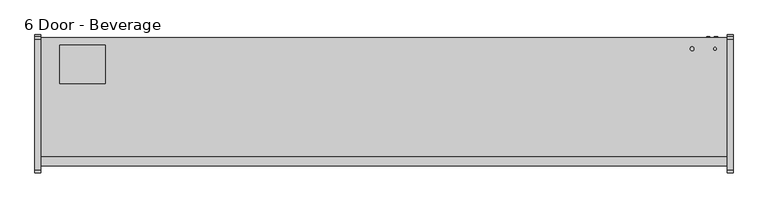
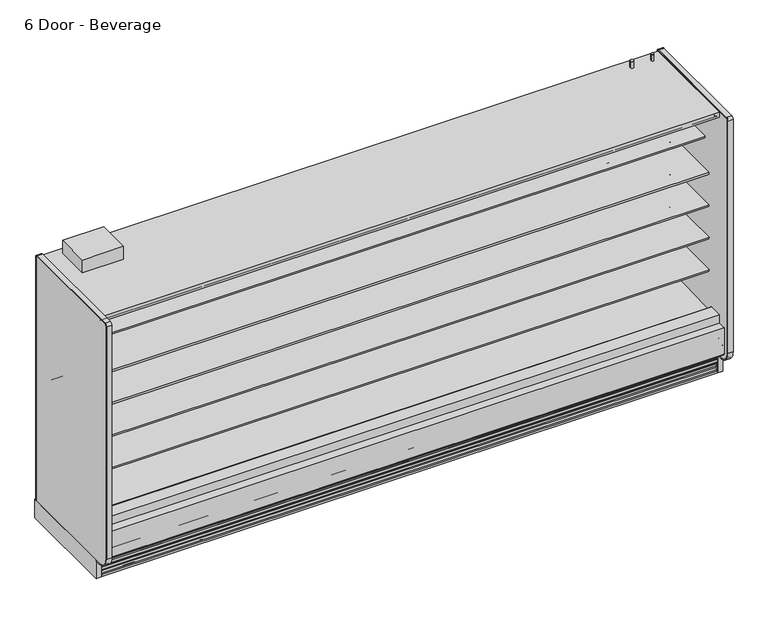
"""IFC4 building model written with IfcOpenShell, lengths in millimetres: proxy geometry, 6 Door - Beverage."""

from ifc_helpers import new_model, si_unit, point, frame, frame_2d, origin, origin_with_axes, place, context, project, spatial, polyline, circle_curve, trimmed, segment, composite_curve, outline, extrude, source, transform, mapped, element, save
from ifc_brep_helpers import plane_surface, revolved_surface, advanced_brep


def proxy_6_door_beverage_c18944ab(model_context):
    return source(origin(), model_context, "Body", "SolidModel", [
        extrude(outline(composite_curve([segment(trimmed(circle_curve(frame_2d((4489.45, -429.4247809)), 9.525), [point((4479.925, -429.4247809))], [point((4498.975, -429.4247809))], False, "CARTESIAN"), True, "CONTINUOUS"), segment(trimmed(circle_curve(frame_2d((4489.45, -429.4247809)), 9.525), [point((4498.975, -429.4247809))], [point((4479.925, -429.4247809))], False, "CARTESIAN"), True, "CONTINUOUS")], self_intersect=False)), frame((0.0, 0.0, 2058.9904091), z_axis=(0.0, 0.0, 1.0), x_axis=(1.0, 0.0, 0.0)), (0.0, 0.0, 1.0), 50.8),
        extrude(outline(composite_curve([segment(trimmed(circle_curve(frame_2d((4337.05, -429.4247809)), 12.7), [point((4324.35, -429.4247809))], [point((4349.75, -429.4247809))], False, "CARTESIAN"), True, "CONTINUOUS"), segment(trimmed(circle_curve(frame_2d((4337.05, -429.4247809)), 12.7), [point((4349.75, -429.4247809))], [point((4324.35, -429.4247809))], False, "CARTESIAN"), True, "CONTINUOUS")], self_intersect=False)), frame((0.0, 0.0, 2058.9904091), z_axis=(0.0, 0.0, 1.0), x_axis=(1.0, 0.0, 0.0)), (0.0, 0.0, 1.0), 50.8),
        extrude(outline(composite_curve([segment(polyline([(-349.0071273, 2056.656972), (-349.0071273, 143.2306), (-355.3571273, 143.2306), (-355.3571273, 2056.656972)]), True, "CONTINUOUS"), segment(trimmed(circle_curve(frame_2d((-365.6251553, 2056.656972)), 10.268028), [point((-355.3571273, 2056.656972))], [point((-365.6251553, 2066.925))], True, "CARTESIAN"), True, "CONTINUOUS"), segment(polyline([(-365.6251553, 2066.925), (-1237.4724391, 2066.925)]), True, "CONTINUOUS"), segment(trimmed(circle_curve(frame_2d((-1237.4724391, 2054.225)), 12.7), [point((-1237.4724391, 2066.925))], [point((-1250.1724391, 2054.225))], True, "CARTESIAN"), True, "CONTINUOUS"), segment(polyline([(-1250.1724391, 2054.225), (-1250.1724391, 232.1306)]), True, "CONTINUOUS"), segment(trimmed(circle_curve(frame_2d((-1161.2724391, 232.1306)), 88.9), [point((-1250.1724391, 232.1306))], [point((-1161.2724391, 143.2306))], True, "CARTESIAN"), True, "CONTINUOUS"), segment(polyline([(-1161.2724391, 143.2306), (-1124.0599223, 143.2306), (-1124.0599223, 136.8806), (-1161.2724391, 136.8806)]), True, "CONTINUOUS"), segment(trimmed(circle_curve(frame_2d((-1161.2724391, 232.1306)), 95.25), [point((-1161.2724391, 136.8806))], [point((-1256.5224391, 232.1306))], False, "CARTESIAN"), True, "CONTINUOUS"), segment(polyline([(-1256.5224391, 232.1306), (-1256.5224391, 2054.225)]), True, "CONTINUOUS"), segment(trimmed(circle_curve(frame_2d((-1237.4724391, 2054.225)), 19.05), [point((-1256.5224391, 2054.225))], [point((-1237.4724391, 2073.275))], False, "CARTESIAN"), True, "CONTINUOUS"), segment(polyline([(-1237.4724391, 2073.275), (-365.6251553, 2073.275)]), True, "CONTINUOUS"), segment(trimmed(circle_curve(frame_2d((-365.6251553, 2056.656972)), 16.618028), [point((-365.6251553, 2073.275))], [point((-349.0071273, 2056.656972))], False, "CARTESIAN"), True, "CONTINUOUS")], self_intersect=False)), frame((4572.0, 0.0, 0.0), z_axis=(1.0, 0.0, 0.0), x_axis=(0.0, 1.0, 0.0)), (0.0, 0.0, 1.0), 38.1),
        extrude(outline(polyline([(4610.1, -336.3071273), (4610.1, -1124.0599223), (4572.0, -1124.0599223), (4572.0, -336.3071273), (4610.1, -336.3071273)])), origin_with_axes(), (0.0, 0.0, 1.0), 143.2306),
        extrude(outline(composite_curve([segment(polyline([(-1250.1724391, 232.1306), (-1250.1724391, 2054.225)]), True, "CONTINUOUS"), segment(trimmed(circle_curve(frame_2d((-1237.4724391, 2054.225)), 12.7), [point((-1250.1724391, 2054.225))], [point((-1237.4724391, 2066.925))], False, "CARTESIAN"), True, "CONTINUOUS"), segment(polyline([(-1237.4724391, 2066.925), (-365.6251553, 2066.925)]), True, "CONTINUOUS"), segment(trimmed(circle_curve(frame_2d((-365.6251553, 2056.656972)), 10.268028), [point((-365.6251553, 2066.925))], [point((-355.3571273, 2056.656972))], False, "CARTESIAN"), True, "CONTINUOUS"), segment(polyline([(-355.3571273, 2056.656972), (-355.3571273, 143.2306), (-1161.2724391, 143.2306)]), True, "CONTINUOUS"), segment(trimmed(circle_curve(frame_2d((-1161.2724391, 232.1306)), 88.9), [point((-1161.2724391, 143.2306))], [point((-1250.1724391, 232.1306))], False, "CARTESIAN"), True, "CONTINUOUS")], self_intersect=False)), frame((4572.0, 0.0, 0.0), z_axis=(1.0, 0.0, 0.0), x_axis=(0.0, 1.0, 0.0)), (0.0, 0.0, 1.0), 38.1),
        extrude(outline(composite_curve([segment(polyline([(-1124.0599223, 136.8806), (-1161.2724391, 136.8806)]), True, "CONTINUOUS"), segment(trimmed(circle_curve(frame_2d((-1161.2724391, 232.1306)), 95.25), [point((-1161.2724391, 136.8806))], [point((-1256.5224391, 232.1306))], False, "CARTESIAN"), True, "CONTINUOUS"), segment(polyline([(-1256.5224391, 232.1306), (-1256.5224391, 2054.225)]), True, "CONTINUOUS"), segment(trimmed(circle_curve(frame_2d((-1237.4724391, 2054.225)), 19.05), [point((-1256.5224391, 2054.225))], [point((-1237.4724391, 2073.275))], False, "CARTESIAN"), True, "CONTINUOUS"), segment(polyline([(-1237.4724391, 2073.275), (-365.6251553, 2073.275)]), True, "CONTINUOUS"), segment(trimmed(circle_curve(frame_2d((-365.6251553, 2056.656972)), 16.618028), [point((-365.6251553, 2073.275))], [point((-349.0071273, 2056.656972))], False, "CARTESIAN"), True, "CONTINUOUS"), segment(polyline([(-349.0071273, 2056.656972), (-349.0071273, 143.2306), (-355.3571273, 143.2306), (-355.3571273, 2056.656972)]), True, "CONTINUOUS"), segment(trimmed(circle_curve(frame_2d((-365.6251553, 2056.656972)), 10.268028), [point((-355.3571273, 2056.656972))], [point((-365.6251553, 2066.925))], True, "CARTESIAN"), True, "CONTINUOUS"), segment(polyline([(-365.6251553, 2066.925), (-1237.4724391, 2066.925)]), True, "CONTINUOUS"), segment(trimmed(circle_curve(frame_2d((-1237.4724391, 2054.225)), 12.7), [point((-1237.4724391, 2066.925))], [point((-1250.1724391, 2054.225))], True, "CARTESIAN"), True, "CONTINUOUS"), segment(polyline([(-1250.1724391, 2054.225), (-1250.1724391, 232.1306)]), True, "CONTINUOUS"), segment(trimmed(circle_curve(frame_2d((-1161.2724391, 232.1306)), 88.9), [point((-1250.1724391, 232.1306))], [point((-1161.2724391, 143.2306))], True, "CARTESIAN"), True, "CONTINUOUS"), segment(polyline([(-1161.2724391, 143.2306), (-1124.0599223, 143.2306), (-1124.0599223, 136.8806)]), True, "CONTINUOUS")], self_intersect=False)), frame((-38.1, 0.0, 0.0), z_axis=(1.0, 0.0, 0.0), x_axis=(0.0, 1.0, 0.0)), (0.0, 0.0, 1.0), 38.1),
        extrude(outline(polyline([(0.0, -336.3071273), (0.0, -1124.0599223), (-38.1, -1124.0599223), (-38.1, -336.3071273), (0.0, -336.3071273)])), origin_with_axes(), (0.0, 0.0, 1.0), 143.2306),
        extrude(outline(composite_curve([segment(polyline([(-1250.1724391, 232.1306), (-1250.1724391, 2054.225)]), True, "CONTINUOUS"), segment(trimmed(circle_curve(frame_2d((-1237.4724391, 2054.225)), 12.7), [point((-1250.1724391, 2054.225))], [point((-1237.4724391, 2066.925))], False, "CARTESIAN"), True, "CONTINUOUS"), segment(polyline([(-1237.4724391, 2066.925), (-365.6251553, 2066.925)]), True, "CONTINUOUS"), segment(trimmed(circle_curve(frame_2d((-365.6251553, 2056.656972)), 10.268028), [point((-365.6251553, 2066.925))], [point((-355.3571273, 2056.656972))], False, "CARTESIAN"), True, "CONTINUOUS"), segment(polyline([(-355.3571273, 2056.656972), (-355.3571273, 143.2306), (-1137.131026, 143.2306), (-1161.2724391, 143.2306)]), True, "CONTINUOUS"), segment(trimmed(circle_curve(frame_2d((-1161.2724391, 232.1306)), 88.9), [point((-1161.2724391, 143.2306))], [point((-1250.1724391, 232.1306))], False, "CARTESIAN"), True, "CONTINUOUS")], self_intersect=False)), frame((-38.1, 0.0, 0.0), z_axis=(1.0, 0.0, 0.0), x_axis=(0.0, 1.0, 0.0)), (0.0, 0.0, 1.0), 38.1),
        extrude(outline(polyline([(0.0, -76.2), (0.0, 0.0), (4572.0, 0.0), (4572.0, -76.2), (0.0, -76.2)])), frame((4572.0, -1079.2958538, 1988.0577862), z_axis=(0.0, 0.09315347017682277, 0.9956517619097633), x_axis=(-1.0, 0.0, 0.0)), (0.0, 0.0, 1.0), 12.7),
        extrude(outline(composite_curve([segment(trimmed(circle_curve(frame_2d((-1205.0506273, 199.8107889)), 6.35), [point((-1201.8764382, 194.3110595))], [point((-1211.4006273, 199.8107889))], False, "CARTESIAN"), True, "CONTINUOUS"), segment(polyline([(-1211.4006273, 199.8107889), (-1211.4006273, 404.6728), (-1147.784197, 404.6728), (-1147.784197, 395.1732), (-1196.1987273, 395.1732), (-1196.1987273, 260.4549459), (-1151.8090876, 223.2076157), (-1201.8764382, 194.3110595)]), True, "CONTINUOUS")], self_intersect=False)), frame((0.0, 0.0, 0.0), z_axis=(1.0, 0.0, 0.0), x_axis=(0.0, 1.0, 0.0)), (0.0, 0.0, 1.0), 4572.0),
        extrude(outline(polyline([(431.8422466, -406.1571273), (431.8422466, -660.1571273), (127.0, -660.1571273), (127.0, -406.1571273), (431.8422466, -406.1571273)])), frame((0.0, 0.0, 2058.9904091), z_axis=(0.0, 0.0, 1.0), x_axis=(1.0, 0.0, 0.0)), (0.0, 0.0, 1.0), 100.0095909),
        advanced_brep(
        [(4572.0, -1124.0599223, 0.0), (4572.0, -1111.0071273, 0.0), (4572.0, -1111.0071273, 189.0201105), (4572.0, -1118.1695038, 194.9418778), (4572.0, -1118.1695038, 167.3928018), (4572.0, -1119.7599344, 165.8023712), (4572.0, -1119.7599344, 146.7523712), (4572.0, -1117.4655682, 147.966845), (4572.0, -1114.0015384, 146.7880867), (4572.0, -1120.0983392, 136.4191003), (4572.0, -1120.6941527, 135.8232868), (4572.0, -1120.6941527, 116.7732868), (4572.0, -1118.3997865, 117.9877605), (4572.0, -1114.9357567, 116.8090023), (4572.0, -1121.0325575, 106.4400158), (4572.0, -1121.628371, 105.8442023), (4572.0, -1121.628371, 86.7942023), (4572.0, -1119.3340048, 88.0086761), (4572.0, -1115.869975, 86.8299178), (4572.0, -1121.9667759, 76.4609313), (4572.0, -1122.5625893, 75.8651179), (4572.0, -1122.5625893, 56.8151179), (4572.0, -1120.2682231, 58.0295916), (4572.0, -1116.8041934, 56.8508334), (4572.0, -1122.9009942, 46.4818469), (4572.0, -1123.4968077, 45.8860334), (4572.0, -1123.4968077, 26.8360334), (4572.0, -1121.2024415, 28.0505071), (4572.0, -1117.7384117, 26.8717489), (4572.0, -1123.8352125, 16.5027624), (4572.0, -1124.0599223, 15.4000228), (0.0, -1124.0599223, 0.0), (0.0, -1124.0599223, 15.4000228), (0.0, -1123.8352125, 16.5027624), (0.0, -1117.7046569, 26.7952908), (0.0, -1121.2024415, 28.0505071), (0.0, -1123.4968077, 26.8360334), (0.0, -1123.4968077, 45.8860334), (0.0, -1122.9009942, 46.4818469), (0.0, -1116.7704385, 56.7743753), (0.0, -1120.2682231, 58.0295916), (0.0, -1122.5625893, 56.8151179), (0.0, -1122.5625893, 75.8651179), (0.0, -1121.9667759, 76.4609313), (0.0, -1115.8362202, 86.7534597), (0.0, -1119.3340048, 88.0086761), (0.0, -1121.628371, 86.7942023), (0.0, -1121.628371, 105.8442023), (0.0, -1121.0325575, 106.4400158), (0.0, -1114.9020019, 116.7325442), (0.0, -1118.3997865, 117.9877605), (0.0, -1120.6941527, 116.7732868), (0.0, -1120.6941527, 135.8232868), (0.0, -1120.0983392, 136.4191003), (0.0, -1113.9677835, 146.7116287), (0.0, -1117.4655682, 147.966845), (0.0, -1119.7599344, 146.7523712), (0.0, -1119.7599344, 165.8023712), (0.0, -1118.1695038, 167.3928018), (0.0, -1118.1695038, 194.9418778), (0.0, -1111.0071273, 189.0201105), (0.0, -1111.0071273, 0.0)],
        [
            (0, 1),
            (1, 2),
            (2, 3),
            (3, 4),
            (4, 5),
            (5, 6),
            (6, 7),
            (7, 8, circle_curve(frame((4572.0, -1116.2892235, 145.7445117), z_axis=(-1.0, 0.0, 0.0), x_axis=(0.0, 1.0, 0.0)), 2.5144685)),
            (8, 9, circle_curve(frame((4572.0, -1120.7858609, 143.8006506), z_axis=(-1.0, 0.0, 0.0), x_axis=(0.0, 1.0, 0.0)), 7.4134993)),
            (9, 10),
            (10, 11),
            (11, 12),
            (12, 13, circle_curve(frame((4572.0, -1117.2234418, 115.7654272), z_axis=(-1.0, 0.0, 0.0), x_axis=(0.0, 1.0, 0.0)), 2.5144685)),
            (13, 14, circle_curve(frame((4572.0, -1121.7200792, 113.8215662), z_axis=(-1.0, 0.0, 0.0), x_axis=(0.0, 1.0, 0.0)), 7.4134993)),
            (14, 15),
            (15, 16),
            (16, 17),
            (17, 18, circle_curve(frame((4572.0, -1118.1576601, 85.7863428), z_axis=(-1.0, 0.0, 0.0), x_axis=(0.0, 1.0, 0.0)), 2.5144685)),
            (18, 19, circle_curve(frame((4572.0, -1122.6542976, 83.8424817), z_axis=(-1.0, 0.0, 0.0), x_axis=(0.0, 1.0, 0.0)), 7.4134993)),
            (19, 20),
            (20, 21),
            (21, 22),
            (22, 23, circle_curve(frame((4572.0, -1119.0918785, 55.8072583), z_axis=(-1.0, 0.0, 0.0), x_axis=(0.0, 1.0, 0.0)), 2.5144685)),
            (23, 24, circle_curve(frame((4572.0, -1123.5885159, 53.8633973), z_axis=(-1.0, 0.0, 0.0), x_axis=(0.0, 1.0, 0.0)), 7.4134993)),
            (24, 25),
            (25, 26),
            (26, 27),
            (27, 28, circle_curve(frame((4572.0, -1120.0260968, 25.8281739), z_axis=(-1.0, 0.0, 0.0), x_axis=(0.0, 1.0, 0.0)), 2.5144685)),
            (28, 29, circle_curve(frame((4572.0, -1124.5227342, 23.8843128), z_axis=(-1.0, 0.0, 0.0), x_axis=(0.0, 1.0, 0.0)), 7.4134993)),
            (29, 30),
            (30, 0),
            (31, 32),
            (32, 33),
            (33, 34, circle_curve(frame((0.0, -1124.5227342, 23.8843128), z_axis=(1.0, 0.0, 0.0), x_axis=(0.0, 1.0, 0.0)), 7.4134993)),
            (34, 35, circle_curve(frame((0.0, -1120.0260968, 25.8281739), z_axis=(1.0, 0.0, 0.0), x_axis=(0.0, 1.0, 0.0)), 2.5144685)),
            (35, 36),
            (36, 37),
            (37, 38),
            (38, 39, circle_curve(frame((0.0, -1123.5885159, 53.8633973), z_axis=(1.0, 0.0, 0.0), x_axis=(0.0, 1.0, 0.0)), 7.4134993)),
            (39, 40, circle_curve(frame((0.0, -1119.0918785, 55.8072583), z_axis=(1.0, 0.0, 0.0), x_axis=(0.0, 1.0, 0.0)), 2.5144685)),
            (40, 41),
            (41, 42),
            (42, 43),
            (43, 44, circle_curve(frame((0.0, -1122.6542976, 83.8424817), z_axis=(1.0, 0.0, 0.0), x_axis=(0.0, 1.0, 0.0)), 7.4134993)),
            (44, 45, circle_curve(frame((0.0, -1118.1576601, 85.7863428), z_axis=(1.0, 0.0, 0.0), x_axis=(0.0, 1.0, 0.0)), 2.5144685)),
            (45, 46),
            (46, 47),
            (47, 48),
            (48, 49, circle_curve(frame((0.0, -1121.7200792, 113.8215662), z_axis=(1.0, 0.0, 0.0), x_axis=(0.0, 1.0, 0.0)), 7.4134993)),
            (49, 50, circle_curve(frame((0.0, -1117.2234418, 115.7654272), z_axis=(1.0, 0.0, 0.0), x_axis=(0.0, 1.0, 0.0)), 2.5144685)),
            (50, 51),
            (51, 52),
            (52, 53),
            (53, 54, circle_curve(frame((0.0, -1120.7858609, 143.8006506), z_axis=(1.0, 0.0, 0.0), x_axis=(0.0, 1.0, 0.0)), 7.4134993)),
            (54, 55, circle_curve(frame((0.0, -1116.2892235, 145.7445117), z_axis=(1.0, 0.0, 0.0), x_axis=(0.0, 1.0, 0.0)), 2.5144685)),
            (55, 56),
            (56, 57),
            (57, 58),
            (58, 59),
            (59, 60),
            (60, 61),
            (61, 31),
            (0, 31),
            (61, 1),
            (60, 2),
            (59, 3),
            (58, 4),
            (57, 5),
            (56, 6),
            (55, 7),
            (54, 8),
            (53, 9),
            (52, 10),
            (51, 11),
            (50, 12),
            (49, 13),
            (48, 14),
            (47, 15),
            (46, 16),
            (45, 17),
            (44, 18),
            (43, 19),
            (42, 20),
            (41, 21),
            (40, 22),
            (39, 23),
            (38, 24),
            (37, 25),
            (36, 26),
            (35, 27),
            (34, 28),
            (33, 29),
            (30, 32),
        ],
        [
            plane_surface(frame((4572.0, -1111.0071273, 0.0), z_axis=(1.0, 0.0, 0.0), x_axis=(0.0, 1.0, 0.0))),
            plane_surface(frame((0.0, -1111.0071273, 0.0), z_axis=(-1.0, 0.0, 0.0), x_axis=(0.0, -1.0, 0.0))),
            plane_surface(frame((4572.0, -1124.0599223, 0.0), z_axis=(0.0, 0.0, -1.0), x_axis=(-1.0, 0.0, 0.0))),
            plane_surface(frame((4572.0, -1111.0071273, 0.0), z_axis=(0.0, 1.0, 0.0), x_axis=(-1.0, 0.0, 0.0))),
            plane_surface(frame((4572.0, -1111.0071273, 189.0201105), z_axis=(0.0, 0.6372025590230975, 0.7706963726231076), x_axis=(-1.0, 0.0, 0.0))),
            plane_surface(frame((4572.0, -1118.1695038, 194.9418778), z_axis=(0.0, -1.0, 0.0), x_axis=(-1.0, 0.0, 0.0))),
            plane_surface(frame((4572.0, -1118.1695038, 167.3928018), z_axis=(0.0, -0.7071067811865249, 0.7071067811865701), x_axis=(-1.0, 0.0, 0.0))),
            plane_surface(frame((4572.0, -1119.7599344, 165.8023712), z_axis=(0.0, -1.0, 0.0), x_axis=(-1.0, 0.0, 0.0))),
            plane_surface(frame((4572.0, -1119.7599344, 146.7523712), z_axis=(0.0, 0.46783034066877954, -0.8838182914772322), x_axis=(-1.0, 0.0, 0.0))),
            revolved_surface(polyline([(0.0, -1113.774755, 145.7445117), (4572.0, -1113.774755, 145.7445117)]), (0.0, -1116.2892235, 145.7445117), (-1.0, 0.0, 0.0)),
            revolved_surface(polyline([(0.0, -1113.3723616, 143.8006506), (4572.0, -1113.3723616, 143.8006506)]), (0.0, -1120.7858609, 143.8006506), (-1.0, 0.0, 0.0)),
            plane_surface(frame((4572.0, -1120.0983392, 136.4191003), z_axis=(0.0, -0.7071067811865174, 0.7071067811865777), x_axis=(-1.0, 0.0, 0.0))),
            plane_surface(frame((4572.0, -1120.6941527, 135.8232868), z_axis=(0.0, -1.0, 0.0), x_axis=(-1.0, 0.0, 0.0))),
            plane_surface(frame((4572.0, -1120.6941527, 116.7732868), z_axis=(0.0, 0.46783034066877444, -0.8838182914772349), x_axis=(-1.0, 0.0, 0.0))),
            revolved_surface(polyline([(0.0, -1114.7089733, 115.7654272), (4572.0, -1114.7089733, 115.7654272)]), (0.0, -1117.2234418, 115.7654272), (-1.0, 0.0, 0.0)),
            revolved_surface(polyline([(0.0, -1114.3065799, 113.8215662), (4572.0, -1114.3065799, 113.8215662)]), (0.0, -1121.7200792, 113.8215662), (-1.0, 0.0, 0.0)),
            plane_surface(frame((4572.0, -1121.0325575, 106.4400158), z_axis=(0.0, -0.7071067811865275, 0.7071067811865677), x_axis=(-1.0, 0.0, 0.0))),
            plane_surface(frame((4572.0, -1121.628371, 105.8442023), z_axis=(0.0, -1.0, 0.0), x_axis=(-1.0, 0.0, 0.0))),
            plane_surface(frame((4572.0, -1121.628371, 86.7942023), z_axis=(0.0, 0.46783034066877954, -0.8838182914772322), x_axis=(-1.0, 0.0, 0.0))),
            revolved_surface(polyline([(0.0, -1115.6431916, 85.7863428), (4572.0, -1115.6431916, 85.7863428)]), (0.0, -1118.1576601, 85.7863428), (-1.0, 0.0, 0.0)),
            revolved_surface(polyline([(0.0, -1115.2407983, 83.8424817), (4572.0, -1115.2407983, 83.8424817)]), (0.0, -1122.6542976, 83.8424817), (-1.0, 0.0, 0.0)),
            plane_surface(frame((4572.0, -1121.9667759, 76.4609313), z_axis=(0.0, -0.7071067811865225, 0.7071067811865727), x_axis=(-1.0, 0.0, 0.0))),
            plane_surface(frame((4572.0, -1122.5625893, 75.8651179), z_axis=(0.0, -1.0, 0.0), x_axis=(-1.0, 0.0, 0.0))),
            plane_surface(frame((4572.0, -1122.5625893, 56.8151179), z_axis=(0.0, 0.46783034066877954, -0.8838182914772322), x_axis=(-1.0, 0.0, 0.0))),
            revolved_surface(polyline([(0.0, -1116.5774099999999, 55.8072583), (4572.0, -1116.5774099999999, 55.8072583)]), (0.0, -1119.0918785, 55.8072583), (-1.0, 0.0, 0.0)),
            revolved_surface(polyline([(0.0, -1116.1750166, 53.8633973), (4572.0, -1116.1750166, 53.8633973)]), (0.0, -1123.5885159, 53.8633973), (-1.0, 0.0, 0.0)),
            plane_surface(frame((4572.0, -1122.9009942, 46.4818469), z_axis=(0.0, -0.7071067811865275, 0.7071067811865677), x_axis=(-1.0, 0.0, 0.0))),
            plane_surface(frame((4572.0, -1123.4968077, 45.8860334), z_axis=(0.0, -1.0, 0.0), x_axis=(-1.0, 0.0, 0.0))),
            plane_surface(frame((4572.0, -1123.4968077, 26.8360334), z_axis=(0.0, 0.46783034066877954, -0.8838182914772322), x_axis=(-1.0, 0.0, 0.0))),
            revolved_surface(polyline([(0.0, -1117.5116283, 25.8281739), (4572.0, -1117.5116283, 25.8281739)]), (0.0, -1120.0260968, 25.8281739), (-1.0, 0.0, 0.0)),
            revolved_surface(polyline([(0.0, -1117.1092349, 23.8843128), (4572.0, -1117.1092349, 23.8843128)]), (0.0, -1124.5227342, 23.8843128), (-1.0, 0.0, 0.0)),
            plane_surface(frame((4572.0, -1124.0599223, 15.4000228), z_axis=(0.0, -1.0, 0.0), x_axis=(-1.0, 0.0, 0.0))),
            plane_surface(frame((4572.0, -1123.8352125, 16.5027624), z_axis=(0.0, -0.9798630437033696, 0.19967076797660804), x_axis=(-1.0, 0.0, 0.0))),
        ],
        [
            (0, [[1, 2, 3, 4, 5, 6, 7, 8, 9, 10, 11, 12, 13, 14, 15, 16, 17, 18, 19, 20, 21, 22, 23, 24, 25, 26, 27, 28, 29, 30, 31]]),
            (1, [[32, 33, 34, 35, 36, 37, 38, 39, 40, 41, 42, 43, 44, 45, 46, 47, 48, 49, 50, 51, 52, 53, 54, 55, 56, 57, 58, 59, 60, 61, 62]]),
            (2, [[-1, 63, -62, 64]]),
            (3, [[-2, -64, -61, 65]]),
            (4, [[-3, -65, -60, 66]]),
            (5, [[-4, -66, -59, 67]]),
            (6, [[-5, -67, -58, 68]]),
            (7, [[-6, -68, -57, 69]]),
            (8, [[-7, -69, -56, 70]]),
            (9, [[-8, -70, -55, 71]]),
            (10, [[-9, -71, -54, 72]]),
            (11, [[-10, -72, -53, 73]]),
            (12, [[-11, -73, -52, 74]]),
            (13, [[-12, -74, -51, 75]]),
            (14, [[-13, -75, -50, 76]]),
            (15, [[-14, -76, -49, 77]]),
            (16, [[-15, -77, -48, 78]]),
            (17, [[-16, -78, -47, 79]]),
            (18, [[-17, -79, -46, 80]]),
            (19, [[-18, -80, -45, 81]]),
            (20, [[-19, -81, -44, 82]]),
            (21, [[-20, -82, -43, 83]]),
            (22, [[-21, -83, -42, 84]]),
            (23, [[-22, -84, -41, 85]]),
            (24, [[-23, -85, -40, 86]]),
            (25, [[-24, -86, -39, 87]]),
            (26, [[-25, -87, -38, 88]]),
            (27, [[-26, -88, -37, 89]]),
            (28, [[-27, -89, -36, 90]]),
            (29, [[-28, -90, -35, 91]]),
            (30, [[-29, -91, -34, 92]]),
            (31, [[-31, 93, -32, -63]]),
            (32, [[-30, -92, -33, -93]]),
        ],
    ),
        extrude(outline(composite_curve([segment(polyline([(-457.027044, 1659.5875245), (-468.1349362, 1659.3712074)]), True, "CONTINUOUS"), segment(trimmed(circle_curve(frame_2d((-468.6228819, 1684.4272352)), 25.0607786), [point((-468.1349362, 1659.3712074))], [point((-484.5302045, 1665.062326))], False, "CARTESIAN"), True, "CONTINUOUS"), segment(polyline([(-484.5302045, 1665.062326), (-522.7519051, 1696.1455946)]), True, "CONTINUOUS"), segment(trimmed(circle_curve(frame_2d((-562.8163782, 1646.8801098)), 63.5), [point((-522.7519051, 1696.1455946))], [point((-555.8383697, 1709.9955389))], True, "CARTESIAN"), True, "CONTINUOUS"), segment(polyline([(-555.8383697, 1709.9955389), (-850.9210421, 1742.6197236), (-850.9210421, 1746.90405), (-965.027044, 1746.90405), (-965.027044, 1760.3978), (-457.027044, 1760.3978), (-457.027044, 1659.5875245)]), True, "CONTINUOUS")], self_intersect=False)), frame((0.0, 0.0, 0.0), z_axis=(1.0, 0.0, 0.0), x_axis=(0.0, 1.0, 0.0)), (0.0, 0.0, 1.0), 4572.0),
        extrude(outline(composite_curve([segment(polyline([(-457.027044, 643.5875245), (-468.1349362, 643.3712074)]), True, "CONTINUOUS"), segment(trimmed(circle_curve(frame_2d((-468.6228819, 668.4272352)), 25.0607786), [point((-468.1349362, 643.3712074))], [point((-484.5302045, 649.062326))], False, "CARTESIAN"), True, "CONTINUOUS"), segment(polyline([(-484.5302045, 649.062326), (-522.7519051, 680.1455946)]), True, "CONTINUOUS"), segment(trimmed(circle_curve(frame_2d((-562.8163782, 630.8801098)), 63.5), [point((-522.7519051, 680.1455946))], [point((-555.9633688, 694.0092335))], True, "CARTESIAN"), True, "CONTINUOUS"), segment(polyline([(-555.9633688, 694.0092335), (-901.7210421, 726.6197236), (-901.7210421, 730.90405), (-1015.827044, 730.90405), (-1015.827044, 744.3978), (-457.027044, 744.3978), (-457.027044, 643.5875245)]), True, "CONTINUOUS")], self_intersect=False)), frame((0.0, 0.0, 0.0), z_axis=(1.0, 0.0, 0.0), x_axis=(0.0, 1.0, 0.0)), (0.0, 0.0, 1.0), 4572.0),
        extrude(outline(composite_curve([segment(polyline([(-457.027044, 897.5875245), (-468.1349362, 897.3712074)]), True, "CONTINUOUS"), segment(trimmed(circle_curve(frame_2d((-468.6228819, 922.4272352)), 25.0607786), [point((-468.1349362, 897.3712074))], [point((-484.5302045, 903.062326))], False, "CARTESIAN"), True, "CONTINUOUS"), segment(polyline([(-484.5302045, 903.062326), (-522.7519051, 934.1455946)]), True, "CONTINUOUS"), segment(trimmed(circle_curve(frame_2d((-562.8163782, 884.8801098)), 63.5), [point((-522.7519051, 934.1455946))], [point((-555.9633688, 948.0092335))], True, "CARTESIAN"), True, "CONTINUOUS"), segment(polyline([(-555.9633688, 948.0092335), (-901.7210421, 980.6197236), (-901.7210421, 984.90405), (-1015.827044, 984.90405), (-1015.827044, 998.3978), (-457.027044, 998.3978), (-457.027044, 897.5875245)]), True, "CONTINUOUS")], self_intersect=False)), frame((0.0, 0.0, 0.0), z_axis=(1.0, 0.0, 0.0), x_axis=(0.0, 1.0, 0.0)), (0.0, 0.0, 1.0), 4572.0),
        extrude(outline(composite_curve([segment(polyline([(-457.027044, 1151.5875245), (-468.1349362, 1151.3712074)]), True, "CONTINUOUS"), segment(trimmed(circle_curve(frame_2d((-468.6228819, 1176.4272352)), 25.0607786), [point((-468.1349362, 1151.3712074))], [point((-484.5302045, 1157.062326))], False, "CARTESIAN"), True, "CONTINUOUS"), segment(polyline([(-484.5302045, 1157.062326), (-522.7519051, 1188.1455946)]), True, "CONTINUOUS"), segment(trimmed(circle_curve(frame_2d((-562.8163782, 1138.8801098)), 63.5), [point((-522.7519051, 1188.1455946))], [point((-555.9633688, 1202.0092335))], True, "CARTESIAN"), True, "CONTINUOUS"), segment(polyline([(-555.9633688, 1202.0092335), (-901.7210421, 1234.6197236), (-901.7210421, 1238.90405), (-1015.827044, 1238.90405), (-1015.827044, 1252.3978), (-457.027044, 1252.3978), (-457.027044, 1151.5875245)]), True, "CONTINUOUS")], self_intersect=False)), frame((0.0, 0.0, 0.0), z_axis=(1.0, 0.0, 0.0), x_axis=(0.0, 1.0, 0.0)), (0.0, 0.0, 1.0), 4572.0),
        extrude(outline(composite_curve([segment(polyline([(-457.027044, 1405.5875245), (-468.1349362, 1405.3712074)]), True, "CONTINUOUS"), segment(trimmed(circle_curve(frame_2d((-468.6228819, 1430.4272352)), 25.0607786), [point((-468.1349362, 1405.3712074))], [point((-484.5302045, 1411.062326))], False, "CARTESIAN"), True, "CONTINUOUS"), segment(polyline([(-484.5302045, 1411.062326), (-522.7519051, 1442.1455946)]), True, "CONTINUOUS"), segment(trimmed(circle_curve(frame_2d((-562.8163782, 1392.8801098)), 63.5), [point((-522.7519051, 1442.1455946))], [point((-555.9633688, 1456.0092335))], True, "CARTESIAN"), True, "CONTINUOUS"), segment(polyline([(-555.9633688, 1456.0092335), (-901.7210421, 1488.6197236), (-901.7210421, 1492.90405), (-1015.827044, 1492.90405), (-1015.827044, 1506.3978), (-457.027044, 1506.3978), (-457.027044, 1405.5875245)]), True, "CONTINUOUS")], self_intersect=False)), frame((0.0, 0.0, 0.0), z_axis=(1.0, 0.0, 0.0), x_axis=(0.0, 1.0, 0.0)), (0.0, 0.0, 1.0), 4572.0),
        advanced_brep(
        [(4572.0, -355.3571273, 130.5306), (4572.0, -355.3571273, 2057.4), (4572.0, -1147.784197, 2057.4), (4572.0, -1147.784197, 2020.2201079), (4572.0, -405.5224764, 2020.2201079), (4572.0, -405.5224764, 220.2495555), (4572.0, -866.2322128, 192.9404113), (4572.0, -906.3154388, 159.4459345), (4572.0, -970.8177493, 157.1934642), (4572.0, -1016.169944, 190.0023738), (4572.0, -1033.5218065, 189.3964335), (4572.0, -1147.784197, 285.2739632), (4572.0, -1147.784197, 395.1732), (4572.0, -1196.1987273, 395.1732), (4572.0, -1196.1987273, 260.4549459), (4572.0, -1041.3609213, 130.5306), (0.0, -355.3571273, 130.5306), (0.0, -1041.3609213, 130.5306), (0.0, -1196.1987273, 260.4549459), (0.0, -1196.1987273, 395.1732), (0.0, -1147.784197, 395.1732), (0.0, -1147.784197, 285.2739632), (0.0, -1033.5218065, 189.3964335), (0.0, -1016.169944, 190.0023738), (0.0, -970.8177493, 157.1934642), (0.0, -906.3154388, 159.4459345), (0.0, -866.2322128, 192.9404113), (0.0, -405.5224764, 220.2495555), (0.0, -405.5224764, 2020.2201079), (0.0, -1147.784197, 2020.2201079), (0.0, -1147.784197, 2057.4), (0.0, -355.3571273, 2057.4), (4470.4, -355.3571273, 303.2125), (4470.4, -355.3571273, 404.8125), (4470.4, -390.6253644, 303.2125), (4470.4, -390.6253644, 404.8125)],
        [
            (0, 1),
            (1, 2),
            (2, 3),
            (3, 4),
            (4, 5),
            (5, 6),
            (6, 7),
            (7, 8),
            (8, 9),
            (9, 10),
            (10, 11),
            (11, 12),
            (12, 13),
            (13, 14),
            (14, 15),
            (15, 0),
            (16, 17),
            (17, 18),
            (18, 19),
            (19, 20),
            (20, 21),
            (21, 22),
            (22, 23),
            (23, 24),
            (24, 25),
            (25, 26),
            (26, 27),
            (27, 28),
            (28, 29),
            (29, 30),
            (30, 31),
            (31, 16),
            (0, 16),
            (31, 1),
            (32, 33, circle_curve(frame((4470.4, -355.3571273, 354.0125), z_axis=(0.0, -1.0, 0.0), x_axis=(0.0, 0.0, 1.0)), 50.8)),
            (33, 32, circle_curve(frame((4470.4, -355.3571273, 354.0125), z_axis=(0.0, -1.0, 0.0), x_axis=(0.0, 0.0, 1.0)), 50.8)),
            (30, 2),
            (29, 3),
            (28, 4),
            (27, 5),
            (15, 17),
            (34, 35, circle_curve(frame((4470.4, -390.6253644, 354.0125), z_axis=(0.0, 1.0, 0.0), x_axis=(0.0, 0.0, 1.0)), 50.8)),
            (35, 34, circle_curve(frame((4470.4, -390.6253644, 354.0125), z_axis=(0.0, 1.0, 0.0), x_axis=(0.0, 0.0, 1.0)), 50.8)),
            (35, 33),
            (32, 34),
            (6, 26),
            (25, 7),
            (24, 8),
            (23, 9),
            (22, 10),
            (21, 11),
            (20, 12),
            (19, 13),
            (18, 14),
        ],
        [
            plane_surface(frame((4572.0, -355.3571273, 2046.3567079), z_axis=(1.0, 0.0, 0.0), x_axis=(0.0, 0.0, 1.0))),
            plane_surface(frame((0.0, -355.3571273, 2046.3567079), z_axis=(-1.0, 0.0, 0.0), x_axis=(0.0, 0.0, -1.0))),
            plane_surface(frame((4572.0, -355.3571273, 130.5306), z_axis=(0.0, 1.0, 0.0), x_axis=(-1.0, 0.0, 0.0))),
            plane_surface(frame((4572.0, -355.3571273, 2057.4), z_axis=(0.0, 0.0, 1.0), x_axis=(-1.0, 0.0, 0.0))),
            plane_surface(frame((4572.0, -1147.784197, 2057.4), z_axis=(0.0, -1.0, 0.0), x_axis=(-1.0, 0.0, 0.0))),
            plane_surface(frame((4572.0, -1147.784197, 2020.2201079), z_axis=(0.0, 0.0, -1.0), x_axis=(-1.0, 0.0, 0.0))),
            plane_surface(frame((4572.0, -405.5224764, 2020.2201079), z_axis=(0.0, -1.0, 0.0), x_axis=(-1.0, 0.0, 0.0))),
            plane_surface(frame((4572.0, -1041.3609213, 130.5306), z_axis=(0.0, 0.0, -1.0), x_axis=(-1.0, 0.0, 0.0))),
            plane_surface(frame((4470.4, -390.6253644, 404.8125), z_axis=(0.0, 1.0, 0.0), x_axis=(-1.0, 0.0, 0.0))),
            revolved_surface(polyline([(4470.4, -390.6253644, 404.8125), (4470.4, -355.3571273, 404.8125)]), (4470.4, -355.3571273, 354.0125), (0.0, -1.0, 0.0)),
            plane_surface(frame((4572.0, -866.2322128, 192.9404113), z_axis=(0.0, -0.6412208566386132, 0.7673563794037573), x_axis=(-1.0, 0.0, 0.0))),
            plane_surface(frame((4572.0, -906.3154388, 159.4459345), z_axis=(0.0, -0.03489949670245158, 0.9993908270190974), x_axis=(-1.0, 0.0, 0.0))),
            plane_surface(frame((4572.0, -970.8177493, 157.1934642), z_axis=(0.0, 0.5861307997256702, 0.8102164436821474), x_axis=(-1.0, 0.0, 0.0))),
            plane_surface(frame((4572.0, -1016.169944, 190.0023738), z_axis=(0.0, -0.034899496702486744, 0.9993908270190962), x_axis=(-1.0, 0.0, 0.0))),
            plane_surface(frame((4572.0, -405.5224764, 220.2495555), z_axis=(0.0, -0.059172381954877985, 0.9982477794684975), x_axis=(-1.0, 0.0, 0.0))),
            plane_surface(frame((4572.0, -1033.5218065, 189.3964335), z_axis=(0.0, 0.6427876096848525, 0.7660444431203935), x_axis=(-1.0, 0.0, 0.0))),
            plane_surface(frame((4572.0, -1147.784197, 285.2739632), z_axis=(0.0, 1.0, 0.0), x_axis=(-1.0, 0.0, 0.0))),
            plane_surface(frame((4572.0, -1147.784197, 395.1732), z_axis=(0.0, 0.0, 1.0), x_axis=(-1.0, 0.0, 0.0))),
            plane_surface(frame((4572.0, -1196.1987273, 395.1732), z_axis=(0.0, -1.0, 0.0), x_axis=(-1.0, 0.0, 0.0))),
            plane_surface(frame((4572.0, -1196.1987273, 260.4549459), z_axis=(0.0, -0.6427876096877204, -0.766044443117987), x_axis=(-1.0, 0.0, 0.0))),
        ],
        [
            (0, [[1, 2, 3, 4, 5, 6, 7, 8, 9, 10, 11, 12, 13, 14, 15, 16]]),
            (1, [[17, 18, 19, 20, 21, 22, 23, 24, 25, 26, 27, 28, 29, 30, 31, 32]]),
            (2, [[-1, 33, -32, 34], [35, 36]]),
            (3, [[-2, -34, -31, 37]]),
            (4, [[-3, -37, -30, 38]]),
            (5, [[-4, -38, -29, 39]]),
            (6, [[-5, -39, -28, 40]]),
            (7, [[-16, 41, -17, -33]]),
            (8, [[42, 43]]),
            (9, [[-43, 44, -35, 45]]),
            (9, [[-42, -45, -36, -44]]),
            (10, [[-7, 46, -26, 47]]),
            (11, [[-8, -47, -25, 48]]),
            (12, [[-9, -48, -24, 49]]),
            (13, [[-10, -49, -23, 50]]),
            (14, [[-6, -40, -27, -46]]),
            (15, [[-11, -50, -22, 51]]),
            (16, [[-12, -51, -21, 52]]),
            (17, [[-13, -52, -20, 53]]),
            (18, [[-14, -53, -19, 54]]),
            (19, [[-15, -54, -18, -41]]),
        ],
    ),
        extrude(outline(composite_curve([segment(polyline([(-457.027044, 445.7919218), (-405.5224764, 445.7919218), (-405.5224764, 220.2495555), (-866.2322128, 192.9404113), (-906.3154388, 159.4459345), (-970.8177493, 157.1934642), (-1016.169944, 190.0023738), (-1033.5218065, 189.3964335), (-1147.784197, 285.2739632), (-1147.784197, 471.3478), (-1049.6661273, 471.3478)]), True, "CONTINUOUS"), segment(trimmed(circle_curve(frame_2d((-1049.6661273, 469.2904)), 2.0574), [point((-1049.6661273, 471.3478))], [point((-1047.6087273, 469.2904))], False, "CARTESIAN"), True, "CONTINUOUS"), segment(polyline([(-1047.6087273, 469.2904), (-1047.6087273, 423.9708554), (-457.027044, 445.7919218)]), True, "CONTINUOUS")], self_intersect=False)), frame((0.0, 0.0, 0.0), z_axis=(1.0, 0.0, 0.0), x_axis=(0.0, 1.0, 0.0)), (0.0, 0.0, 1.0), 4572.0),
        extrude(outline(composite_curve([segment(polyline([(-1001.0821412, 1994.8201079), (-1001.0544494, 1996.4629758), (-1080.2451873, 2003.8720844), (-1080.2451873, 1993.3723079)]), True, "CONTINUOUS"), segment(trimmed(circle_curve(frame_2d((-1082.7851873, 1993.3723079)), 2.54), [point((-1080.2451873, 1993.3723079))], [point((-1082.7851873, 1990.8323079))], False, "CARTESIAN"), True, "CONTINUOUS"), segment(polyline([(-1082.7851873, 1990.8323079), (-1092.0053873, 1990.8323079)]), True, "CONTINUOUS"), segment(trimmed(circle_curve(frame_2d((-1092.0053873, 1993.3723079)), 2.54), [point((-1092.0053873, 1990.8323079))], [point((-1094.5453873, 1993.3723079))], False, "CARTESIAN"), True, "CONTINUOUS"), segment(polyline([(-1094.5453873, 1993.3723079), (-1094.5453873, 2001.1923066)]), True, "CONTINUOUS"), segment(trimmed(circle_curve(frame_2d((-1097.0853873, 2001.1923066)), 2.54), [point((-1094.5453873, 2001.1923066))], [point((-1097.0853873, 2003.7323066))], True, "CARTESIAN"), True, "CONTINUOUS"), segment(polyline([(-1097.0853873, 2003.7323066), (-1111.0553873, 2003.7323066)]), True, "CONTINUOUS"), segment(trimmed(circle_curve(frame_2d((-1111.0553873, 2006.2723066)), 2.54), [point((-1111.0553873, 2003.7323066))], [point((-1113.5953873, 2006.2723066))], False, "CARTESIAN"), True, "CONTINUOUS"), segment(polyline([(-1113.5953873, 2006.2723066), (-1113.5953873, 2007.5201079), (-1113.5953873, 2020.2201079), (-405.5224764, 2020.2201079), (-405.5224764, 445.7919218), (-457.027044, 445.7919218), (-457.027044, 1994.8201079), (-1001.0821412, 1994.8201079)]), True, "CONTINUOUS")], self_intersect=False)), frame((0.0, 0.0, 0.0), z_axis=(1.0, 0.0, 0.0), x_axis=(0.0, 1.0, 0.0)), (0.0, 0.0, 1.0), 4572.0),
        extrude(outline(polyline([(457.2, -1050.6821273), (457.2, -1114.594384), (254.0, -1114.594384), (254.0, -1050.6821273), (457.2, -1050.6821273)])), frame((0.0, 0.0, 44.45), z_axis=(0.0, 0.0, 1.0), x_axis=(1.0, 0.0, 0.0)), (0.0, 0.0, 1.0), 6.35),
        advanced_brep(
        [(4572.0, -1111.0071273, 188.9707058), (4572.0, -1111.0071273, 0.0), (4572.0, -964.9571273, 0.0), (4572.0, -964.9571273, 130.5306), (4572.0, -1041.3609213, 130.5306), (0.0, -1111.0071273, 188.9707058), (0.0, -1041.3609213, 130.5306), (0.0, -964.9571273, 130.5306), (0.0, -964.9571273, 0.0), (0.0, -1111.0071273, 0.0), (245.6409893, -1111.0071273, 0.0), (245.6409893, -1111.0071273, 50.8), (466.3154811, -1111.0071273, 50.8), (466.3154811, -1111.0071273, 0.0), (466.3154811, -1045.2097182, 0.0), (245.6409893, -1045.2097182, 0.0), (2240.3197047, -964.9571273, 0.0), (2331.6802953, -964.9571273, 0.0), (4304.2446396, -964.9571273, 0.0), (4398.4303604, -964.9571273, 0.0), (4398.4303604, -964.9571273, 127.0), (4304.2446396, -964.9571273, 127.0), (2331.6802953, -964.9571273, 127.0), (2240.3197047, -964.9571273, 127.0), (466.3154811, -1045.2097182, 50.8), (245.6409893, -1045.2097182, 50.8)],
        [
            (0, 1),
            (1, 2),
            (2, 3),
            (3, 4),
            (4, 0),
            (5, 6),
            (6, 7),
            (7, 8),
            (8, 9),
            (9, 5),
            (0, 5),
            (9, 10),
            (10, 11),
            (11, 12),
            (12, 13),
            (13, 1),
            (13, 14),
            (14, 15),
            (15, 10),
            (8, 16),
            (16, 17, circle_curve(frame((2286.0, -942.7321273, 0.0), z_axis=(0.0, 0.0, 1.0), x_axis=(1.0, 0.0, 0.0)), 50.8)),
            (17, 18),
            (18, 19, circle_curve(frame((4351.3375, -945.9071273, 0.0), z_axis=(0.0, 0.0, 1.0), x_axis=(1.0, 0.0, 0.0)), 50.8)),
            (19, 2),
            (19, 20),
            (20, 21),
            (21, 18),
            (17, 22),
            (22, 23),
            (23, 16),
            (7, 3),
            (6, 4),
            (24, 14),
            (12, 24),
            (15, 25),
            (25, 11),
            (24, 25),
            (22, 23, circle_curve(frame((2286.0, -942.7321273, 127.0), z_axis=(0.0, 0.0, -1.0), x_axis=(1.0, 0.0, 0.0)), 50.8)),
            (20, 21, circle_curve(frame((4351.3375, -945.9071273, 127.0), z_axis=(0.0, 0.0, -1.0), x_axis=(1.0, 0.0, 0.0)), 50.8)),
        ],
        [
            plane_surface(frame((4572.0, -1111.0071273, 0.0), z_axis=(1.0, 0.0, 0.0), x_axis=(0.0, 0.0, -1.0))),
            plane_surface(frame((0.0, -1111.0071273, 0.0), z_axis=(-1.0, 0.0, 0.0), x_axis=(0.0, 0.0, 1.0))),
            plane_surface(frame((4572.0, -1111.0071273, 188.9707058), z_axis=(0.0, -1.0, 0.0), x_axis=(-1.0, 0.0, 0.0))),
            plane_surface(frame((4572.0, -1111.0071273, 0.0), z_axis=(0.0, 0.0, -1.0), x_axis=(-1.0, 0.0, 0.0))),
            plane_surface(frame((4572.0, -964.9571273, 0.0), z_axis=(0.0, 1.0, 0.0), x_axis=(-1.0, 0.0, 0.0))),
            plane_surface(frame((4572.0, -964.9571273, 130.5306), z_axis=(0.0, 0.0, 1.0), x_axis=(-1.0, 0.0, 0.0))),
            plane_surface(frame((4572.0, -1041.3609213, 130.5306), z_axis=(0.0, 0.6427876096877104, 0.7660444431179954), x_axis=(-1.0, 0.0, 0.0))),
            plane_surface(frame((466.3154811, -1045.2097182, 0.0), z_axis=(-1.0, 0.0, 0.0), x_axis=(0.0, 1.0, 0.0))),
            plane_surface(frame((245.6409893, -1045.2097182, 0.0), z_axis=(1.0, 0.0, 0.0), x_axis=(0.0, -1.0, 0.0))),
            plane_surface(frame((466.3154811, -1045.2097182, 0.0), z_axis=(0.0, -1.0, 0.0), x_axis=(-1.0, 0.0, 0.0))),
            plane_surface(frame((466.3154811, -1045.2097182, 50.8), z_axis=(0.0, 0.0, -1.0), x_axis=(-1.0, 0.0, 0.0))),
            plane_surface(frame((2336.8, -942.7321273, 127.0), z_axis=(0.0, 0.0, -1.0), x_axis=(0.0, 1.0, 0.0))),
            revolved_surface(polyline([(2336.8, -942.7321273, 127.0), (2336.8, -942.7321273, 0.0)]), (2286.0, -942.7321273, 0.0), (0.0, 0.0, 1.0)),
            plane_surface(frame((4402.1375, -945.9071273, 127.0), z_axis=(0.0, 0.0, -1.0), x_axis=(0.0, 1.0, 0.0))),
            revolved_surface(polyline([(4402.1375, -945.9071273, 127.0), (4402.1375, -945.9071273, 0.0)]), (4351.3375, -945.9071273, 0.0), (0.0, 0.0, 1.0)),
        ],
        [
            (0, [[1, 2, 3, 4, 5]]),
            (1, [[6, 7, 8, 9, 10]]),
            (2, [[-1, 11, -10, 12, 13, 14, 15, 16]]),
            (3, [[-2, -16, 17, 18, 19, -12, -9, 20, 21, 22, 23, 24]]),
            (4, [[-3, -24, 25, 26, 27, -22, 28, 29, 30, -20, -8, 31]]),
            (5, [[-4, -31, -7, 32]]),
            (6, [[-5, -32, -6, -11]]),
            (7, [[33, -17, -15, 34]]),
            (8, [[35, 36, -13, -19]]),
            (9, [[-33, 37, -35, -18]]),
            (10, [[-37, -34, -14, -36]]),
            (11, [[38, -29]]),
            (12, [[-38, -28, -21, -30]]),
            (13, [[39, -26]]),
            (14, [[-39, -25, -23, -27]]),
        ],
    ),
        extrude(outline(composite_curve([segment(trimmed(circle_curve(frame_2d((354.0125, 4495.8)), 12.7), [point((341.3125, 4495.8))], [point((366.7125, 4495.8))], False, "CARTESIAN"), True, "CONTINUOUS"), segment(trimmed(circle_curve(frame_2d((354.0125, 4495.8)), 12.7), [point((366.7125, 4495.8))], [point((341.3125, 4495.8))], False, "CARTESIAN"), True, "CONTINUOUS")], self_intersect=False)), frame((0.0, -390.6253644, 0.0), z_axis=(0.0, 1.0, 0.0), x_axis=(0.0, 0.0, 1.0)), (0.0, 0.0, 1.0), 41.6182371),
        extrude(outline(composite_curve([segment(trimmed(circle_curve(frame_2d((354.0125, 4445.0)), 9.525), [point((344.4875, 4445.0))], [point((363.5375, 4445.0))], False, "CARTESIAN"), True, "CONTINUOUS"), segment(trimmed(circle_curve(frame_2d((354.0125, 4445.0)), 9.525), [point((363.5375, 4445.0))], [point((344.4875, 4445.0))], False, "CARTESIAN"), True, "CONTINUOUS")], self_intersect=False)), frame((0.0, -390.6253644, 0.0), z_axis=(0.0, 1.0, 0.0), x_axis=(0.0, 0.0, 1.0)), (0.0, 0.0, 1.0), 41.6182371),
        extrude(outline(composite_curve([segment(trimmed(circle_curve(frame_2d((2286.0, -942.7321273)), 38.1), [point((2247.9, -942.7321273))], [point((2324.1, -942.7321273))], False, "CARTESIAN"), True, "CONTINUOUS"), segment(trimmed(circle_curve(frame_2d((2286.0, -942.7321273)), 38.1), [point((2324.1, -942.7321273))], [point((2247.9, -942.7321273))], False, "CARTESIAN"), True, "CONTINUOUS")], self_intersect=False)), frame((0.0, 0.0, 61.2666507), z_axis=(0.0, 0.0, 1.0), x_axis=(1.0, 0.0, 0.0)), (0.0, 0.0, 1.0), 65.7333493),
        extrude(outline(composite_curve([segment(trimmed(circle_curve(frame_2d((4376.7375, -942.7321273)), 12.7), [point((4364.0375, -942.7321273))], [point((4389.4375, -942.7321273))], False, "CARTESIAN"), True, "CONTINUOUS"), segment(trimmed(circle_curve(frame_2d((4376.7375, -942.7321273)), 12.7), [point((4389.4375, -942.7321273))], [point((4364.0375, -942.7321273))], False, "CARTESIAN"), True, "CONTINUOUS")], self_intersect=False)), frame((0.0, 0.0, 61.2666507), z_axis=(0.0, 0.0, 1.0), x_axis=(1.0, 0.0, 0.0)), (0.0, 0.0, 1.0), 65.7333493),
        extrude(outline(composite_curve([segment(trimmed(circle_curve(frame_2d((4325.9375, -942.7321273)), 9.525), [point((4316.4125, -942.7321273))], [point((4335.4625, -942.7321273))], False, "CARTESIAN"), True, "CONTINUOUS"), segment(trimmed(circle_curve(frame_2d((4325.9375, -942.7321273)), 9.525), [point((4335.4625, -942.7321273))], [point((4316.4125, -942.7321273))], False, "CARTESIAN"), True, "CONTINUOUS")], self_intersect=False)), frame((0.0, 0.0, 61.2666507), z_axis=(0.0, 0.0, 1.0), x_axis=(1.0, 0.0, 0.0)), (0.0, 0.0, 1.0), 65.7333493),
        advanced_brep(
        [(4572.0, -355.3571273, 0.0), (4572.0, -355.3571273, 130.5306), (4572.0, -964.9571273, 130.5306), (4572.0, -964.9571273, 0.0), (4572.0, -938.7951273, 0.0), (4572.0, -938.7951273, 74.8810382), (4572.0, -394.2191273, 74.8810382), (4572.0, -394.2191273, 0.0), (0.0, -355.3571273, 0.0), (0.0, -394.2191273, 0.0), (0.0, -394.2191273, 74.8810382), (0.0, -938.7951273, 74.8810382), (0.0, -938.7951273, 0.0), (0.0, -964.9571273, 0.0), (0.0, -964.9571273, 130.5306), (0.0, -355.3571273, 130.5306), (2235.2, -942.7321273, 127.0), (2336.8, -942.7321273, 127.0), (2331.6802953, -964.9571273, 127.0), (2240.3197047, -964.9571273, 127.0), (2336.8, -942.7321273, 0.0), (2331.6802953, -964.9571273, 0.0), (2235.2, -942.7321273, 0.0), (2240.3197047, -964.9571273, 0.0), (2235.3527885, -938.7951273, 0.0), (2235.3527885, -938.7951273, 74.8810382), (2336.6472115, -938.7951273, 74.8810382), (2336.6472115, -938.7951273, 0.0), (4300.5375, -945.9071273, 127.0), (4402.1375, -945.9071273, 127.0), (4398.4303604, -964.9571273, 127.0), (4304.2446396, -964.9571273, 127.0), (4402.1375, -945.9071273, 0.0), (4398.4303604, -964.9571273, 0.0), (4300.5375, -945.9071273, 0.0), (4304.2446396, -964.9571273, 0.0), (4301.0378036, -938.7951273, 0.0), (4301.0378036, -938.7951273, 74.8810382), (4401.6371964, -938.7951273, 74.8810382), (4401.6371964, -938.7951273, 0.0)],
        [
            (0, 1),
            (1, 2),
            (2, 3),
            (3, 4),
            (4, 5),
            (5, 6),
            (6, 7),
            (7, 0),
            (8, 9),
            (9, 10),
            (10, 11),
            (11, 12),
            (12, 13),
            (13, 14),
            (14, 15),
            (15, 8),
            (0, 8),
            (15, 1),
            (6, 10),
            (9, 7),
            (16, 17, circle_curve(frame((2286.0, -942.7321273, 127.0), z_axis=(0.0, 0.0, -1.0), x_axis=(1.0, 0.0, 0.0)), 50.8)),
            (17, 18, circle_curve(frame((2286.0, -942.7321273, 127.0), z_axis=(0.0, 0.0, -1.0), x_axis=(1.0, 0.0, 0.0)), 50.8)),
            (18, 19),
            (19, 16, circle_curve(frame((2286.0, -942.7321273, 127.0), z_axis=(0.0, 0.0, -1.0), x_axis=(1.0, 0.0, 0.0)), 50.8)),
            (17, 20),
            (20, 21, circle_curve(frame((2286.0, -942.7321273, 0.0), z_axis=(0.0, 0.0, -1.0), x_axis=(1.0, 0.0, 0.0)), 50.8)),
            (21, 18),
            (22, 16),
            (19, 23),
            (23, 22, circle_curve(frame((2286.0, -942.7321273, 0.0), z_axis=(0.0, 0.0, -1.0), x_axis=(1.0, 0.0, 0.0)), 50.8)),
            (22, 24, circle_curve(frame((2286.0, -942.7321273, 0.0), z_axis=(0.0, 0.0, -1.0), x_axis=(1.0, 0.0, 0.0)), 50.8)),
            (24, 25),
            (25, 26, circle_curve(frame((2286.0, -942.7321273, 74.8810382), z_axis=(0.0, 0.0, -1.0), x_axis=(1.0, 0.0, 0.0)), 50.8)),
            (26, 27),
            (27, 20, circle_curve(frame((2286.0, -942.7321273, 0.0), z_axis=(0.0, 0.0, -1.0), x_axis=(1.0, 0.0, 0.0)), 50.8)),
            (28, 29, circle_curve(frame((4351.3375, -945.9071273, 127.0), z_axis=(0.0, 0.0, -1.0), x_axis=(1.0, 0.0, 0.0)), 50.8)),
            (29, 30, circle_curve(frame((4351.3375, -945.9071273, 127.0), z_axis=(0.0, 0.0, -1.0), x_axis=(1.0, 0.0, 0.0)), 50.8)),
            (30, 31),
            (31, 28, circle_curve(frame((4351.3375, -945.9071273, 127.0), z_axis=(0.0, 0.0, -1.0), x_axis=(1.0, 0.0, 0.0)), 50.8)),
            (29, 32),
            (32, 33, circle_curve(frame((4351.3375, -945.9071273, 0.0), z_axis=(0.0, 0.0, -1.0), x_axis=(1.0, 0.0, 0.0)), 50.8)),
            (33, 30),
            (34, 28),
            (31, 35),
            (35, 34, circle_curve(frame((4351.3375, -945.9071273, 0.0), z_axis=(0.0, 0.0, -1.0), x_axis=(1.0, 0.0, 0.0)), 50.8)),
            (34, 36, circle_curve(frame((4351.3375, -945.9071273, 0.0), z_axis=(0.0, 0.0, -1.0), x_axis=(1.0, 0.0, 0.0)), 50.8)),
            (36, 37),
            (37, 38, circle_curve(frame((4351.3375, -945.9071273, 74.8810382), z_axis=(0.0, 0.0, -1.0), x_axis=(1.0, 0.0, 0.0)), 50.8)),
            (38, 39),
            (39, 32, circle_curve(frame((4351.3375, -945.9071273, 0.0), z_axis=(0.0, 0.0, -1.0), x_axis=(1.0, 0.0, 0.0)), 50.8)),
            (14, 2),
            (3, 33),
            (39, 4),
            (12, 24),
            (23, 13),
            (27, 36),
            (35, 21),
            (38, 5),
            (11, 25),
            (26, 37),
        ],
        [
            plane_surface(frame((4572.0, -355.3571273, 2438.4), z_axis=(1.0, 0.0, 0.0), x_axis=(0.0, 0.0, 1.0))),
            plane_surface(frame((0.0, -355.3571273, 2438.4), z_axis=(-1.0, 0.0, 0.0), x_axis=(0.0, 0.0, -1.0))),
            plane_surface(frame((4572.0, -355.3571273, 0.0), z_axis=(0.0, 1.0, 0.0), x_axis=(-1.0, 0.0, 0.0))),
            plane_surface(frame((4572.0, -394.2191273, 74.8810382), z_axis=(0.0, -1.0, 0.0), x_axis=(-1.0, 0.0, 0.0))),
            plane_surface(frame((4572.0, -394.2191273, 0.0), z_axis=(0.0, 0.0, -1.0), x_axis=(-1.0, 0.0, 0.0))),
            plane_surface(frame((2336.8, -942.7321273, 127.0), z_axis=(0.0, 0.0, -1.0), x_axis=(0.0, 1.0, 0.0))),
            revolved_surface(polyline([(2336.8, -942.7321273, 127.0), (2336.8, -942.7321273, 0.0)]), (2286.0, -942.7321273, 0.0), (0.0, 0.0, 1.0)),
            plane_surface(frame((4402.1375, -945.9071273, 127.0), z_axis=(0.0, 0.0, -1.0), x_axis=(0.0, 1.0, 0.0))),
            revolved_surface(polyline([(4402.1375, -945.9071273, 127.0), (4402.1375, -945.9071273, 0.0)]), (4351.3375, -945.9071273, 0.0), (0.0, 0.0, 1.0)),
            plane_surface(frame((4572.0, -355.3571273, 130.5306), z_axis=(0.0, 0.0, 1.0), x_axis=(-1.0, 0.0, 0.0))),
            plane_surface(frame((4572.0, -964.9571273, 0.0), z_axis=(0.0, 0.0, -1.0), x_axis=(-1.0, 0.0, 0.0))),
            plane_surface(frame((4572.0, -938.7951273, 0.0), z_axis=(0.0, 1.0, 0.0), x_axis=(-1.0, 0.0, 0.0))),
            plane_surface(frame((4572.0, -938.7951273, 74.8810382), z_axis=(0.0, 0.0, -1.0), x_axis=(-1.0, 0.0, 0.0))),
            plane_surface(frame((4572.0, -964.9571273, 130.5306), z_axis=(0.0, -1.0, 0.0), x_axis=(-1.0, 0.0, 0.0))),
        ],
        [
            (0, [[1, 2, 3, 4, 5, 6, 7, 8]]),
            (1, [[9, 10, 11, 12, 13, 14, 15, 16]]),
            (2, [[-1, 17, -16, 18]]),
            (3, [[-7, 19, -10, 20]]),
            (4, [[-8, -20, -9, -17]]),
            (5, [[21, 22, 23, 24]]),
            (6, [[25, 26, 27, -22]]),
            (6, [[28, -24, 29, 30]]),
            (6, [[-21, -28, 31, 32, 33, 34, 35, -25]]),
            (7, [[36, 37, 38, 39]]),
            (8, [[40, 41, 42, -37]]),
            (8, [[43, -39, 44, 45]]),
            (8, [[-36, -43, 46, 47, 48, 49, 50, -40]]),
            (9, [[-2, -18, -15, 51]]),
            (10, [[-4, 52, -41, -50, 53]]),
            (10, [[-13, 54, -31, -30, 55]]),
            (10, [[-26, -35, 56, -46, -45, 57]]),
            (11, [[-5, -53, -49, 58]]),
            (11, [[-12, 59, -32, -54]]),
            (11, [[-34, 60, -47, -56]]),
            (12, [[-6, -58, -48, -60, -33, -59, -11, -19]]),
            (13, [[-3, -51, -14, -55, -29, -23, -27, -57, -44, -38, -42, -52]]),
        ],
    ),
    ])


if __name__ == "__main__":
    model = new_model("IFC4")
    model_context = context("Model", 3, world=origin())
    ifc_project = project(units=[si_unit("LENGTHUNIT", "METRE", prefix="MILLI")], contexts=[model_context])
    site = spatial("IfcSite", under=ifc_project)
    building = spatial("IfcBuilding", under=site)
    placement = place(None, origin())
    proxy_6_door_beverage_shape = proxy_6_door_beverage_c18944ab(model_context)
    element("IfcBuildingElementProxy", 1, Name="6 Door - Beverage", ObjectType="6 Door - Beverage", at=placement, inside=building, context=model_context, shape_type="MappedRepresentation", body=[
        mapped(proxy_6_door_beverage_shape, transform((0.0, 0.0, 0.0), x_axis=(1.0, 0.0, 0.0), y_axis=(0.0, 1.0, 0.0), z_axis=(0.0, 0.0, 1.0))),
    ])
    save(model, "model.ifc")
